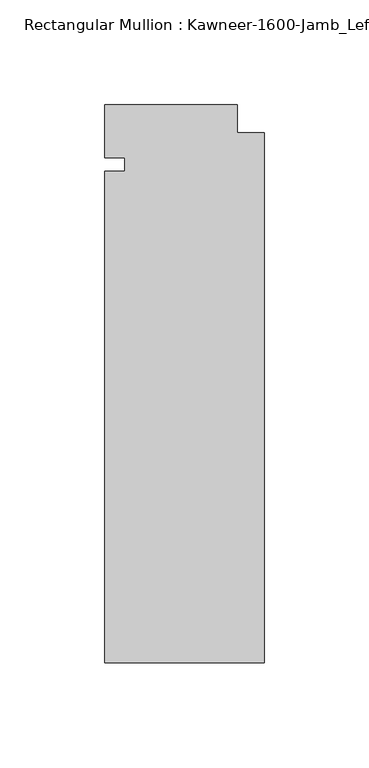
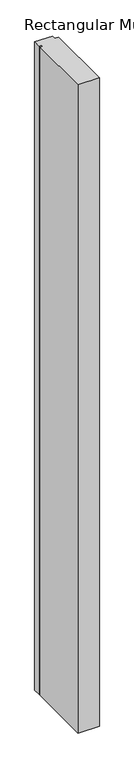
"""IFC4 building model written with IfcOpenShell, lengths in millimetres: member geometry."""

from ifc_helpers import new_model, si_unit, frame, origin, place, context, project, spatial, polyline, outline, extrude, source, transform, mapped, element, save


def member_bc699489(model_context):
    return source(origin(), model_context, "Body", "SweptSolid", [
        extrude(outline(polyline([(-76.2, -3.175), (-66.675, -3.175), (-66.675, 3.175), (-76.2, 3.175), (-76.2, 28.575), (-12.7, 28.575), (-12.7, 15.08125), (0.0, 15.08125), (0.0, -238.125), (-76.2, -238.125), (-76.2, -3.175)])), frame((0.0, 0.0, -2438.4), z_axis=(0.0, 0.0, 1.0), x_axis=(1.0, 0.0, 0.0)), (0.0, 0.0, 1.0), 2438.4),
    ])


if __name__ == "__main__":
    model = new_model("IFC4")
    model_context = context("Model", 3, world=origin())
    ifc_project = project(units=[si_unit("LENGTHUNIT", "METRE", prefix="MILLI")], contexts=[model_context])
    site = spatial("IfcSite", under=ifc_project)
    building = spatial("IfcBuilding", under=site)
    placement = place(None, origin())
    member_shape = member_bc699489(model_context)
    element("IfcMember", 1, ObjectType="Rectangular Mullion : Kawneer-1600-Jamb_Left-System1-10_1/2\"-1/4\"Infill", at=placement, inside=building, context=model_context, shape_type="MappedRepresentation", body=[
        mapped(member_shape, transform((0.0, 0.0, 0.0), x_axis=(1.0, 0.0, 0.0), y_axis=(0.0, 1.0, 0.0), z_axis=(0.0, 0.0, 1.0))),
    ])
    save(model, "model.ifc")
